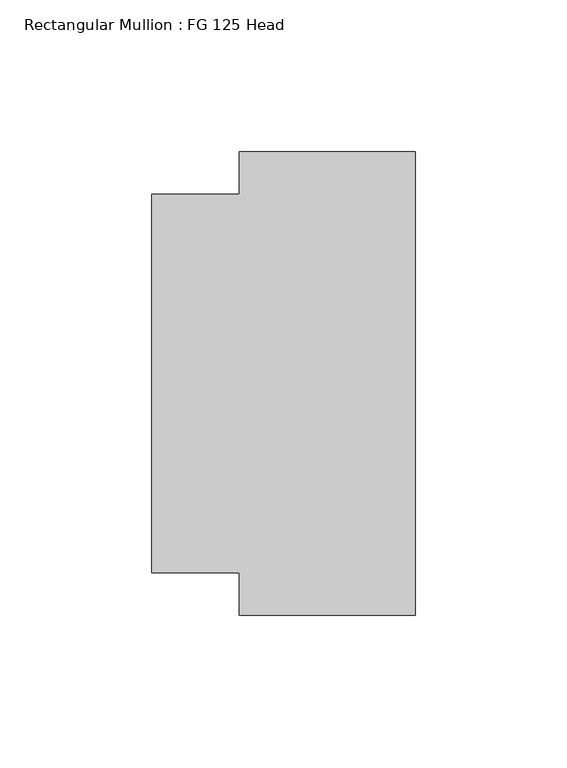
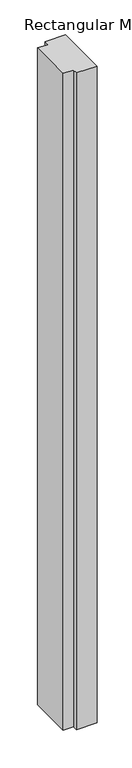
"""IFC4 building model written with IfcOpenShell, lengths in millimetres: member geometry, Rectangular Mullion : FG 125 Head."""

from ifc_helpers import new_model, si_unit, frame, origin, place, context, project, spatial, polyline, outline, extrude, source, transform, mapped, element, save


def rectangular_mullion_fg_125_head_77e3e3d4(model_context):
    return source(origin(), model_context, "Body", "SweptSolid", [
        extrude(outline(polyline([(0.0, -76.5), (-58.0, -76.5), (-58.0, -62.4946881), (-87.0, -62.4946881), (-87.0, 62.5054723), (-58.0, 62.5054723), (-58.0, 76.5054723), (0.0, 76.5054723), (0.0, -76.5)])), frame((0.0, 0.0, -1954.166723), z_axis=(0.0, 0.0, 1.0), x_axis=(1.0, 0.0, 0.0)), (0.0, 0.0, 1.0), 1954.166723),
    ])


if __name__ == "__main__":
    model = new_model("IFC4")
    model_context = context("Model", 3, world=origin())
    ifc_project = project(units=[si_unit("LENGTHUNIT", "METRE", prefix="MILLI")], contexts=[model_context])
    site = spatial("IfcSite", under=ifc_project)
    building = spatial("IfcBuilding", under=site)
    placement = place(None, origin())
    rectangular_mullion_fg_125_head_shape = rectangular_mullion_fg_125_head_77e3e3d4(model_context)
    element("IfcMember", 1, ObjectType="Rectangular Mullion : FG 125 Head", at=placement, inside=building, context=model_context, shape_type="MappedRepresentation", body=[
        mapped(rectangular_mullion_fg_125_head_shape, transform((0.0, 0.0, 0.0), x_axis=(1.0, 0.0, 0.0), y_axis=(0.0, 1.0, 0.0), z_axis=(0.0, 0.0, 1.0))),
    ])
    save(model, "model.ifc")
